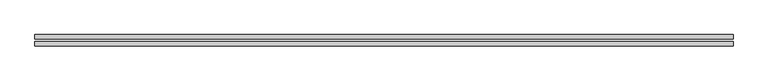
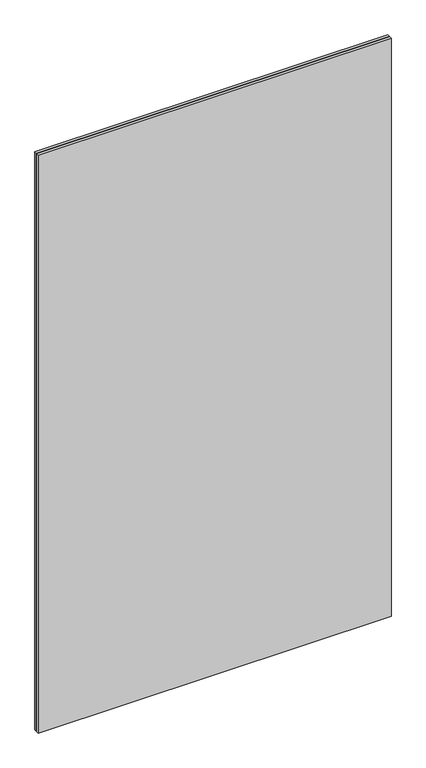
"""IFC4 building model written with IfcOpenShell, lengths in millimetres: plate geometry."""

from ifc_helpers import new_model, si_unit, origin, origin_with_axes, place, context, project, spatial, polyline, outline, extrude, source, transform, mapped, element, save


def plate_0e8ba229(model_context):
    return source(origin(), model_context, "Body", "SweptSolid", [
        extrude(outline(polyline([(625.0, -2.0), (625.0, -10.0), (-625.0, -10.0), (-625.0, -2.0), (625.0, -2.0)])), origin_with_axes(), (0.0, 0.0, 1.0), 2165.0),
        extrude(outline(polyline([(625.0, 2.0), (-625.0, 2.0), (-625.0, 10.0), (625.0, 10.0), (625.0, 2.0)])), origin_with_axes(), (0.0, 0.0, 1.0), 2165.0),
    ])


if __name__ == "__main__":
    model = new_model("IFC4")
    model_context = context("Model", 3, world=origin())
    ifc_project = project(units=[si_unit("LENGTHUNIT", "METRE", prefix="MILLI")], contexts=[model_context])
    site = spatial("IfcSite", under=ifc_project)
    building = spatial("IfcBuilding", under=site)
    placement = place(None, origin())
    plate_shape = plate_0e8ba229(model_context)
    element("IfcPlate", 1, at=placement, inside=building, context=model_context, shape_type="MappedRepresentation", body=[
        mapped(plate_shape, transform((0.0, 0.0, 0.0), x_axis=(1.0, 0.0, 0.0), y_axis=(0.0, 1.0, 0.0), z_axis=(0.0, 0.0, 1.0))),
    ])
    save(model, "model.ifc")
